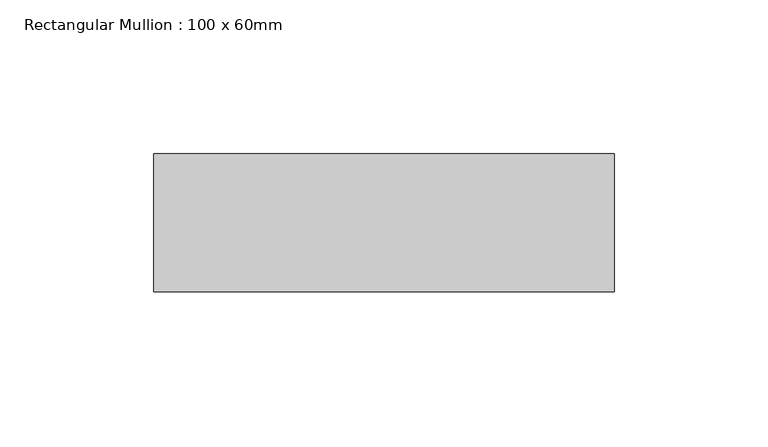
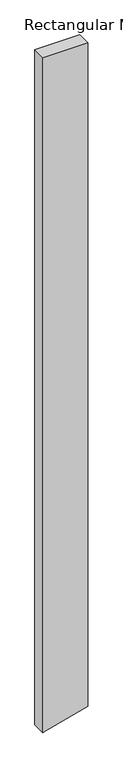
"""IFC4 building model written with IfcOpenShell, lengths in millimetres: member geometry, Rectangular Mullion : 100 x 60mm."""

from ifc_helpers import new_model, si_unit, frame, origin, place, context, project, spatial, polyline, outline, extrude, source, transform, mapped, element, save


def rectangular_mullion_100_x_60mm_a830097a(model_context):
    return source(origin(), model_context, "Body", "SweptSolid", [
        extrude(outline(polyline([(0.0, 75.0), (0.0, -75.0), (-2379.539921, -75.0), (-2376.7813201, -64.7047613), (-2339.3475422, 75.0), (0.0, 75.0)])), frame((0.0, -30.0, 0.0), z_axis=(0.0, 1.0, 0.0), x_axis=(0.0, 0.0, 1.0)), (0.0, 0.0, 1.0), 45.0),
    ])


if __name__ == "__main__":
    model = new_model("IFC4")
    model_context = context("Model", 3, world=origin())
    ifc_project = project(units=[si_unit("LENGTHUNIT", "METRE", prefix="MILLI")], contexts=[model_context])
    site = spatial("IfcSite", under=ifc_project)
    building = spatial("IfcBuilding", under=site)
    placement = place(None, origin())
    rectangular_mullion_100_x_60mm_shape = rectangular_mullion_100_x_60mm_a830097a(model_context)
    element("IfcMember", 1, ObjectType="Rectangular Mullion : 100 x 60mm", at=placement, inside=building, context=model_context, shape_type="MappedRepresentation", body=[
        mapped(rectangular_mullion_100_x_60mm_shape, transform((0.0, 0.0, 0.0), x_axis=(1.0, 0.0, 0.0), y_axis=(0.0, 1.0, 0.0), z_axis=(0.0, 0.0, 1.0))),
    ])
    save(model, "model.ifc")
